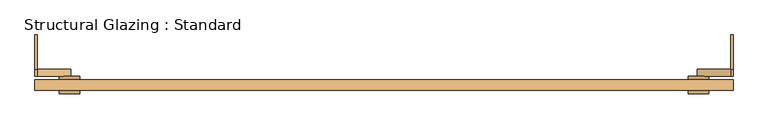
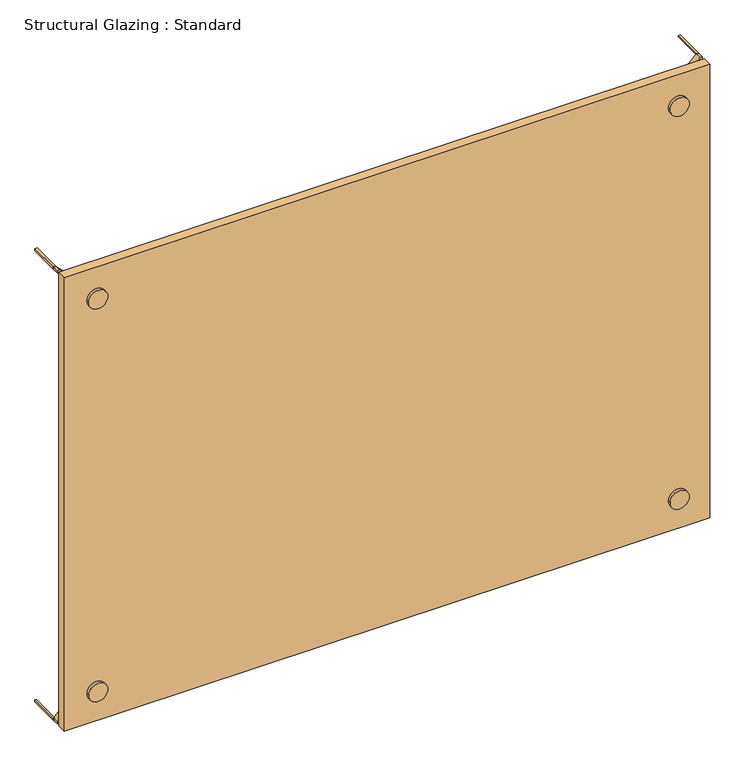
"""IFC4 building model written with IfcOpenShell, lengths in millimetres: door geometry, Structural Glazing : Standard."""

from ifc_helpers import new_model, si_unit, point, frame, frame_2d, origin, origin_with_axes, place, context, project, spatial, polyline, circle_curve, trimmed, segment, composite_curve, outline, extrude, source, transform, mapped, element, save


def structural_glazing_standard_62f7df55(model_context):
    return source(origin(), model_context, "Body", "SweptSolid", [
        extrude(outline(composite_curve([segment(trimmed(circle_curve(frame_2d((100.0, 910.0)), 30.0), [point((100.0, 880.0))], [point((100.0, 940.0))], False, "CARTESIAN"), True, "CONTINUOUS"), segment(trimmed(circle_curve(frame_2d((100.0, 910.0)), 30.0), [point((100.0, 940.0))], [point((100.0, 880.0))], False, "CARTESIAN"), True, "CONTINUOUS")], self_intersect=False)), frame((0.0, 28.9615014, 0.0), z_axis=(0.0, 1.0, 0.0), x_axis=(0.0, 0.0, 1.0)), (0.0, 0.0, 1.0), 10.0),
        extrude(outline(composite_curve([segment(trimmed(circle_curve(frame_2d((100.0, -910.0)), 30.0), [point((100.0, -940.0))], [point((100.0, -880.0))], False, "CARTESIAN"), True, "CONTINUOUS"), segment(trimmed(circle_curve(frame_2d((100.0, -910.0)), 30.0), [point((100.0, -880.0))], [point((100.0, -940.0))], False, "CARTESIAN"), True, "CONTINUOUS")], self_intersect=False)), frame((0.0, 28.9615014, 0.0), z_axis=(0.0, 1.0, 0.0), x_axis=(0.0, 0.0, 1.0)), (0.0, 0.0, 1.0), 10.0),
        extrude(outline(composite_curve([segment(trimmed(circle_curve(frame_2d((1400.0, -910.0)), 30.0), [point((1400.0, -940.0))], [point((1400.0, -880.0))], False, "CARTESIAN"), True, "CONTINUOUS"), segment(trimmed(circle_curve(frame_2d((1400.0, -910.0)), 30.0), [point((1400.0, -880.0))], [point((1400.0, -940.0))], False, "CARTESIAN"), True, "CONTINUOUS")], self_intersect=False)), frame((0.0, 28.9615014, 0.0), z_axis=(0.0, 1.0, 0.0), x_axis=(0.0, 0.0, 1.0)), (0.0, 0.0, 1.0), 10.0),
        extrude(outline(composite_curve([segment(trimmed(circle_curve(frame_2d((1400.0, 910.0)), 30.0), [point((1400.0, 880.0))], [point((1400.0, 940.0))], False, "CARTESIAN"), True, "CONTINUOUS"), segment(trimmed(circle_curve(frame_2d((1400.0, 910.0)), 30.0), [point((1400.0, 940.0))], [point((1400.0, 880.0))], False, "CARTESIAN"), True, "CONTINUOUS")], self_intersect=False)), frame((0.0, 28.9615014, 0.0), z_axis=(0.0, 1.0, 0.0), x_axis=(0.0, 0.0, 1.0)), (0.0, 0.0, 1.0), 10.0),
        extrude(outline(composite_curve([segment(trimmed(circle_curve(frame_2d((100.0, -910.0)), 30.0), [point((100.0, -940.0))], [point((100.0, -880.0))], False, "CARTESIAN"), True, "CONTINUOUS"), segment(trimmed(circle_curve(frame_2d((100.0, -910.0)), 30.0), [point((100.0, -880.0))], [point((100.0, -940.0))], False, "CARTESIAN"), True, "CONTINUOUS")], self_intersect=False)), frame((0.0, -11.0384986, 0.0), z_axis=(0.0, 1.0, 0.0), x_axis=(0.0, 0.0, 1.0)), (0.0, 0.0, 1.0), 10.0),
        extrude(outline(composite_curve([segment(trimmed(circle_curve(frame_2d((100.0, 910.0)), 30.0), [point((100.0, 880.0))], [point((100.0, 940.0))], False, "CARTESIAN"), True, "CONTINUOUS"), segment(trimmed(circle_curve(frame_2d((100.0, 910.0)), 30.0), [point((100.0, 940.0))], [point((100.0, 880.0))], False, "CARTESIAN"), True, "CONTINUOUS")], self_intersect=False)), frame((0.0, -11.0384986, 0.0), z_axis=(0.0, 1.0, 0.0), x_axis=(0.0, 0.0, 1.0)), (0.0, 0.0, 1.0), 10.0),
        extrude(outline(composite_curve([segment(trimmed(circle_curve(frame_2d((1400.0, -910.0)), 30.0), [point((1400.0, -940.0))], [point((1400.0, -880.0))], False, "CARTESIAN"), True, "CONTINUOUS"), segment(trimmed(circle_curve(frame_2d((1400.0, -910.0)), 30.0), [point((1400.0, -880.0))], [point((1400.0, -940.0))], False, "CARTESIAN"), True, "CONTINUOUS")], self_intersect=False)), frame((0.0, -11.0384986, 0.0), z_axis=(0.0, 1.0, 0.0), x_axis=(0.0, 0.0, 1.0)), (0.0, 0.0, 1.0), 10.0),
        extrude(outline(composite_curve([segment(trimmed(circle_curve(frame_2d((1400.0, 910.0)), 30.0), [point((1400.0, 880.0))], [point((1400.0, 940.0))], False, "CARTESIAN"), True, "CONTINUOUS"), segment(trimmed(circle_curve(frame_2d((1400.0, 910.0)), 30.0), [point((1400.0, 940.0))], [point((1400.0, 880.0))], False, "CARTESIAN"), True, "CONTINUOUS")], self_intersect=False)), frame((0.0, -11.0384986, 0.0), z_axis=(0.0, 1.0, 0.0), x_axis=(0.0, 0.0, 1.0)), (0.0, 0.0, 1.0), 10.0),
        extrude(outline(polyline([(1010.0, 28.9615014), (1010.0, -1.0384986), (-1010.0, -1.0384986), (-1010.0, 28.9615014), (1010.0, 28.9615014)])), origin_with_axes(), (0.0, 0.0, 1.0), 1500.0),
        extrude(outline(composite_curve([segment(polyline([(0.0, 1010.0), (7.0710678, 1010.0)]), True, "CONTINUOUS"), segment(trimmed(circle_curve(frame_2d((0.0, 1010.0)), 7.0710678), [point((7.0710678, 1010.0))], [point((0.0, 1002.9289322))], False, "CARTESIAN"), True, "CONTINUOUS"), segment(polyline([(0.0, 1002.9289322), (0.0, 1010.0)]), True, "CONTINUOUS")], self_intersect=False)), frame((0.0, 58.9615014, 0.0), z_axis=(0.0, 1.0, 0.0), x_axis=(0.0, 0.0, 1.0)), (0.0, 0.0, 1.0), 100.0),
        extrude(outline(composite_curve([segment(polyline([(0.0, -1010.0), (0.0, -1002.9289322)]), True, "CONTINUOUS"), segment(trimmed(circle_curve(frame_2d((0.0, -1010.0)), 7.0710678), [point((0.0, -1002.9289322))], [point((7.0710678, -1010.0))], False, "CARTESIAN"), True, "CONTINUOUS"), segment(polyline([(7.0710678, -1010.0), (0.0, -1010.0)]), True, "CONTINUOUS")], self_intersect=False)), frame((0.0, 58.9615014, 0.0), z_axis=(0.0, 1.0, 0.0), x_axis=(0.0, 0.0, 1.0)), (0.0, 0.0, 1.0), 100.0),
        extrude(outline(composite_curve([segment(polyline([(1500.0, 1010.0), (1500.0, 1002.9289322)]), True, "CONTINUOUS"), segment(trimmed(circle_curve(frame_2d((1500.0, 1010.0)), 7.0710678), [point((1500.0, 1002.9289322))], [point((1492.9289322, 1010.0))], False, "CARTESIAN"), True, "CONTINUOUS"), segment(polyline([(1492.9289322, 1010.0), (1500.0, 1010.0)]), True, "CONTINUOUS")], self_intersect=False)), frame((0.0, 58.9615014, 0.0), z_axis=(0.0, 1.0, 0.0), x_axis=(0.0, 0.0, 1.0)), (0.0, 0.0, 1.0), 100.0),
        extrude(outline(composite_curve([segment(polyline([(1500.0, -1002.9289322), (1500.0, -1010.0), (1492.9289322, -1010.0)]), True, "CONTINUOUS"), segment(trimmed(circle_curve(frame_2d((1500.0, -1010.0)), 7.0710678), [point((1492.9289322, -1010.0))], [point((1500.0, -1002.9289322))], False, "CARTESIAN"), True, "CONTINUOUS")], self_intersect=False)), frame((0.0, 58.9615014, 0.0), z_axis=(0.0, 1.0, 0.0), x_axis=(0.0, 0.0, 1.0)), (0.0, 0.0, 1.0), 100.0),
        extrude(outline(polyline([(103.5355339, 913.5355339), (96.4644661, 906.4644661), (0.0, 1002.9289322), (0.0, 1010.0), (7.0710678, 1010.0), (103.5355339, 913.5355339)])), frame((0.0, 38.9615014, 0.0), z_axis=(0.0, 1.0, 0.0), x_axis=(0.0, 0.0, 1.0)), (0.0, 0.0, 1.0), 20.0),
        extrude(outline(polyline([(0.0, -1010.0), (0.0, -1002.9289322), (96.4644661, -906.4644661), (103.5355339, -913.5355339), (7.0710678, -1010.0), (0.0, -1010.0)])), frame((0.0, 38.9615014, 0.0), z_axis=(0.0, 1.0, 0.0), x_axis=(0.0, 0.0, 1.0)), (0.0, 0.0, 1.0), 20.0),
        extrude(outline(polyline([(1500.0, -1002.9289322), (1500.0, -1010.0), (1492.9289322, -1010.0), (1396.4644661, -913.5355339), (1403.5355339, -906.4644661), (1500.0, -1002.9289322)])), frame((0.0, 38.9615014, 0.0), z_axis=(0.0, 1.0, 0.0), x_axis=(0.0, 0.0, 1.0)), (0.0, 0.0, 1.0), 20.0),
        extrude(outline(polyline([(1500.0, 1002.9289322), (1403.5355339, 906.4644661), (1396.4644661, 913.5355339), (1492.9289322, 1010.0), (1500.0, 1010.0), (1500.0, 1002.9289322)])), frame((0.0, 38.9615014, 0.0), z_axis=(0.0, 1.0, 0.0), x_axis=(0.0, 0.0, 1.0)), (0.0, 0.0, 1.0), 20.0),
    ])


if __name__ == "__main__":
    model = new_model("IFC4")
    model_context = context("Model", 3, world=origin())
    ifc_project = project(units=[si_unit("LENGTHUNIT", "METRE", prefix="MILLI")], contexts=[model_context])
    site = spatial("IfcSite", under=ifc_project)
    building = spatial("IfcBuilding", under=site)
    placement = place(None, origin())
    structural_glazing_standard_shape = structural_glazing_standard_62f7df55(model_context)
    element("IfcDoor", 1, ObjectType="Structural Glazing : Standard", at=placement, inside=building, context=model_context, shape_type="MappedRepresentation", body=[
        mapped(structural_glazing_standard_shape, transform((0.0, 0.0, 0.0), x_axis=(1.0, 0.0, 0.0), y_axis=(0.0, 1.0, 0.0), z_axis=(0.0, 0.0, 1.0))),
    ])
    save(model, "model.ifc")
